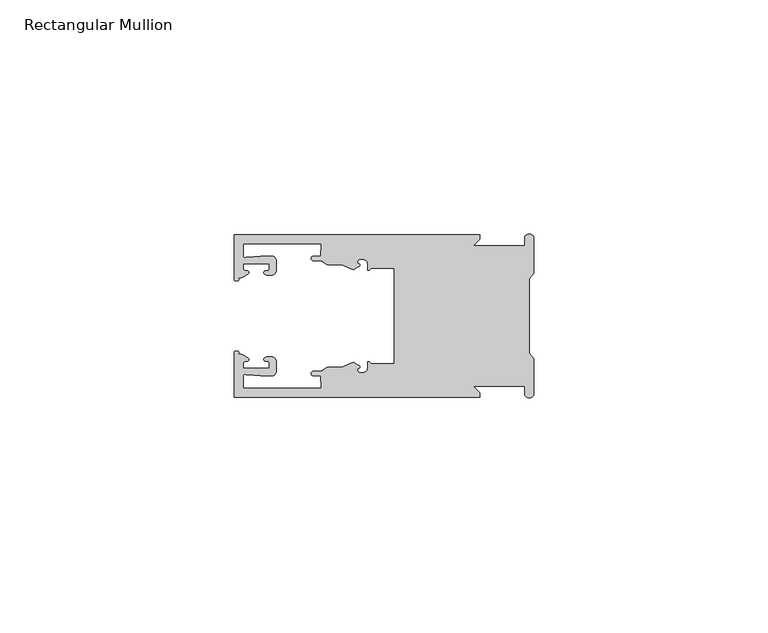
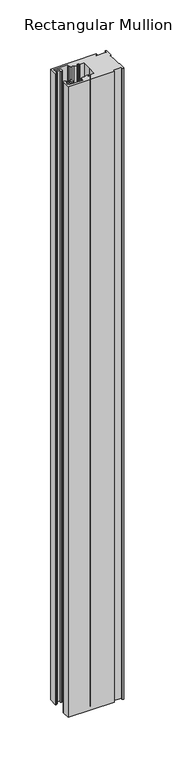
"""IFC4 building model written with IfcOpenShell, lengths in millimetres: member geometry, Rectangular Mullion."""

import ifcopenshell
import ifcopenshell.guid

model = None  # the IFC model being written
_history = None  # IfcOwnerHistory: only IFC2X3 demands one
_inside = {}  # id of a spatial element -> (the spatial element, [elements in it])
_under = {}  # id of a project, library or spatial element -> (it, [spatial elements below it])
_declared = {}  # id of a project -> (the project, [libraries it declares])
_typed = {}  # id of a type object -> (the type object, [elements of that type])
_made_of = {}  # id of a material, layer set ... -> (it, [elements and type objects made of it])


def new_model(schema):
    """Start an empty IFC model of exactly this schema.

    Asked for "IFC4X3", IfcOpenShell would pick the latest addendum, in which some entities
    have other attributes; the version numbers below select the first issue.
    IFC2X3 requires an IfcOwnerHistory on every rooted entity: one is made here for all.
    """
    global model, _history
    if schema == "IFC4X3":
        model = ifcopenshell.file(schema_version=(4, 3, 0, 0))
    else:
        model = ifcopenshell.file(schema=schema)
    _inside.clear()
    _under.clear()
    _declared.clear()
    _typed.clear()
    _made_of.clear()
    _history = None
    if model.schema == "IFC2X3":
        org = make("IfcOrganization", Name="unknown")
        user = make(
            "IfcPersonAndOrganization",
            ThePerson=make("IfcPerson", FamilyName="unknown"),
            TheOrganization=org,
        )
        app = make(
            "IfcApplication",
            ApplicationDeveloper=org,
            Version="unknown",
            ApplicationFullName="unknown",
            ApplicationIdentifier="unknown",
        )
        _history = make(
            "IfcOwnerHistory",
            OwningUser=user,
            OwningApplication=app,
            ChangeAction="ADDED",
            CreationDate=0,
        )
    return model


def make(cls, **values):
    """One entity of the class cls with the attributes given. An attribute that is None is left unset."""
    return model.create_entity(
        cls, **{name: value for name, value in values.items() if value is not None}
    )


def rooted(cls, **values):
    """An entity with a GlobalId (a new one), such as an element, a storey or a relation."""
    return make(cls, GlobalId=ifcopenshell.guid.new(), OwnerHistory=_history, **values)


def si_unit(unit_type, name, prefix=None):
    """IfcSIUnit, for example si_unit("LENGTHUNIT", "METRE", prefix="MILLI")."""
    return make("IfcSIUnit", UnitType=unit_type, Prefix=prefix, Name=name)


def assignment(units):
    """IfcUnitAssignment: the units of a project."""
    return None if units is None else make("IfcUnitAssignment", Units=units)


def point(xyz):
    """IfcCartesianPoint."""
    return None if xyz is None else make("IfcCartesianPoint", Coordinates=xyz)


def direction(xyz):
    """IfcDirection."""
    return None if xyz is None else make("IfcDirection", DirectionRatios=xyz)


def frame(location, z_axis=None, x_axis=None):
    """IfcAxis2Placement3D, a coordinate frame: its origin and axes. An axis left out is left unset."""
    return make(
        "IfcAxis2Placement3D",
        Location=point(location),
        Axis=direction(z_axis),
        RefDirection=direction(x_axis),
    )


def origin():
    """The frame at (0, 0, 0) with its axes left unset."""
    return frame((0.0, 0.0, 0.0))


def place(relative_to, where):
    """IfcLocalPlacement: puts the frame where relative to a parent placement (None: the world)."""
    return make(
        "IfcLocalPlacement", PlacementRelTo=relative_to, RelativePlacement=where
    )


def context(
    kind, dimensions, precision=None, world=None, true_north=None, identifier=None
):
    """IfcGeometricRepresentationContext, for example the 3D "Model" context."""
    return make(
        "IfcGeometricRepresentationContext",
        ContextIdentifier=identifier,
        ContextType=kind,
        CoordinateSpaceDimension=dimensions,
        Precision=precision,
        WorldCoordinateSystem=world,
        TrueNorth=true_north,
    )


def project(units=None, contexts=None):
    """IfcProject with its units and contexts."""
    return rooted(
        "IfcProject",
        Name="project",
        RepresentationContexts=contexts,
        UnitsInContext=assignment(units),
    )


def spatial(cls, under=None, at=None, **own):
    """A site, building, storey or space (cls), placed at a placement, below another one or the project."""
    s = rooted(cls, ObjectPlacement=at, **own)
    if under is not None:
        _under.setdefault(under.id(), (under, []))[1].append(s)
    return s


def polyline(points):
    """IfcPolyline through the points."""
    return make("IfcPolyline", Points=[point(p) for p in points])


def circle_curve(where, radius):
    """IfcCircle in the frame where."""
    return make("IfcCircle", Position=where, Radius=radius)


def shape(context_of_items, identifier, shape_type, items):
    """IfcShapeRepresentation: the items that make up one representation, for example the "Body"."""
    return make(
        "IfcShapeRepresentation",
        ContextOfItems=context_of_items,
        RepresentationIdentifier=identifier,
        RepresentationType=shape_type,
        Items=items,
    )


def source(mapping_origin, context_of_items, identifier, shape_type, items):
    """IfcRepresentationMap: a shape defined once, which mapped items show again and again."""
    return make(
        "IfcRepresentationMap",
        MappingOrigin=mapping_origin,
        MappedRepresentation=shape(context_of_items, identifier, shape_type, items),
    )


def transform(
    local_origin,
    x_axis=None,
    y_axis=None,
    z_axis=None,
    scale=None,
    scale2=None,
    scale3=None,
    uniform=True,
):
    """IfcCartesianTransformationOperator3D, or its non-uniform kind. x_axis, y_axis, z_axis: its Axis1, 2, 3."""
    if uniform:
        return make(
            "IfcCartesianTransformationOperator3D",
            Axis1=direction(x_axis),
            Axis2=direction(y_axis),
            LocalOrigin=point(local_origin),
            Scale=scale,
            Axis3=direction(z_axis),
        )
    return make(
        "IfcCartesianTransformationOperator3DnonUniform",
        Axis1=direction(x_axis),
        Axis2=direction(y_axis),
        LocalOrigin=point(local_origin),
        Scale=scale,
        Axis3=direction(z_axis),
        Scale2=scale2,
        Scale3=scale3,
    )


def mapped(mapping_source, mapping_target):
    """IfcMappedItem: shows the shape of a source again, moved by a transform."""
    return make(
        "IfcMappedItem", MappingSource=mapping_source, MappingTarget=mapping_target
    )


def made_of(thing, what):
    """Note that an element or type object is made of a material, layer set ...; save() writes the relation."""
    if what is not None:
        _made_of.setdefault(what.id(), (what, []))[1].append(thing)
    return thing


def element(
    cls,
    number,
    at=None,
    inside=None,
    cuts=None,
    type_object=None,
    material=None,
    context=None,
    identifier="Body",
    shape_type=None,
    held_by="IfcProductDefinitionShape",
    body=None,
    shapes=None,
    **own,
):
    """One element of the class cls, such as IfcWall. Its Tag is "e" and its number.

    at: its placement. inside: the storey or other place that contains it. cuts: it is an
    opening in that element (IfcRelVoidsElement). A single representation is given by context,
    identifier, shape_type and body (its items); several are given by shapes. held_by: the class
    of the entity that holds the representations. save() writes the other relations.
    """
    e = rooted(cls, Tag="e%d" % number, ObjectPlacement=at, **own)
    if body is not None:
        shapes = [shape(context, identifier, shape_type, body)]
    if shapes is not None:
        e.Representation = make(held_by, Representations=shapes)
    if inside is not None:
        _inside.setdefault(inside.id(), (inside, []))[1].append(e)
    if cuts is not None:
        rooted(
            "IfcRelVoidsElement", RelatingBuildingElement=cuts, RelatedOpeningElement=e
        )
    if type_object is not None:
        _typed.setdefault(type_object.id(), (type_object, []))[1].append(e)
    return made_of(e, material)


def aggregate(whole, parts):
    """IfcRelAggregates: a whole, such as a stair, and the parts it consists of."""
    return rooted("IfcRelAggregates", RelatingObject=whole, RelatedObjects=parts)


def save(model, path):
    """Write the relations noted so far, then the file.

    IfcRelAggregates (storeys below a building ...), IfcRelContainedInSpatialStructure (elements
    in a storey), IfcRelDefinesByType, IfcRelAssociatesMaterial and IfcRelDeclares: one each for
    every whole, place, type object, material and project.
    """
    for whole, parts in _under.values():
        aggregate(whole, parts)
    for where, things in _inside.values():
        rooted(
            "IfcRelContainedInSpatialStructure",
            RelatedElements=things,
            RelatingStructure=where,
        )
    for kind, things in _typed.values():
        rooted("IfcRelDefinesByType", RelatedObjects=things, RelatingType=kind)
    for what, things in _made_of.values():
        rooted("IfcRelAssociatesMaterial", RelatedObjects=things, RelatingMaterial=what)
    for by, libraries in _declared.values():
        rooted("IfcRelDeclares", RelatingContext=by, RelatedDefinitions=libraries)
    model.write(path)


def plane_surface(at):
    """IfcPlane: the flat surface through the origin of the frame at, square to its z axis."""
    return make("IfcPlane", Position=at)


def cylinder_surface(at, radius):
    """IfcCylindricalSurface: all points at the distance radius from the z axis of the frame at."""
    return make("IfcCylindricalSurface", Position=at, Radius=radius)


def revolved_surface(curve, axis_point, axis_direction):
    """IfcSurfaceOfRevolution: the curve turned about the line through axis_point along axis_direction."""
    return make(
        "IfcSurfaceOfRevolution",
        SweptCurve=make("IfcArbitraryOpenProfileDef", ProfileType="CURVE", Curve=curve),
        AxisPosition=make("IfcAxis1Placement", Location=point(axis_point), Axis=direction(axis_direction)),
    )


def extruded_surface(curve, direction_of_extrusion, depth):
    """IfcSurfaceOfLinearExtrusion: the curve pushed along a direction by depth."""
    return make(
        "IfcSurfaceOfLinearExtrusion",
        SweptCurve=make("IfcArbitraryOpenProfileDef", ProfileType="CURVE", Curve=curve),
        ExtrudedDirection=direction(direction_of_extrusion),
        Depth=depth,
    )


def spline_curve(degree, points, multiplicities, knots, weights=None):
    """IfcBSplineCurveWithKnots; with weights, IfcRationalBSplineCurveWithKnots."""
    own = dict(
        Degree=degree,
        ControlPointsList=[point(p) for p in points],
        CurveForm="UNSPECIFIED",
        ClosedCurve=False,
        SelfIntersect=False,
        KnotMultiplicities=multiplicities,
        Knots=knots,
        KnotSpec="UNSPECIFIED",
    )
    if weights is None:
        return make("IfcBSplineCurveWithKnots", **own)
    return make("IfcRationalBSplineCurveWithKnots", WeightsData=weights, **own)


def advanced_brep(points, edges, surfaces, faces):
    """IfcAdvancedBrep: a solid bounded by faces that lie on surfaces and meet in shared edges.

    An edge is (start, end): straight between two places in points (the first is 0);
    or (start, end, curve); or (start, end, curve, False) where it runs against its curve.
    A face is (place in surfaces, loops), or (place, loops, False) where it looks against
    its surface's normal. A loop lists edges by number (the first is 1), with a minus sign
    where the edge is run from its end to its start. The first loop is the outer one.
    """
    corners = [point(p) for p in points]
    vertices = [make("IfcVertexPoint", VertexGeometry=c) for c in corners]
    made = []
    for start, end, *more in edges:
        made.append(
            make(
                "IfcEdgeCurve",
                EdgeStart=vertices[start],
                EdgeEnd=vertices[end],
                EdgeGeometry=more[0] if more else make("IfcPolyline", Points=[corners[start], corners[end]]),
                SameSense=more[1] if len(more) > 1 else True,
            )
        )
    hull = []
    for where, loops, *sense in faces:
        bounds = []
        for j, loop in enumerate(loops):
            ring = [make("IfcOrientedEdge", EdgeElement=made[abs(k) - 1], Orientation=k > 0) for k in loop]
            bounds.append(
                make(
                    "IfcFaceOuterBound" if j == 0 else "IfcFaceBound",
                    Bound=make("IfcEdgeLoop", EdgeList=ring),
                    Orientation=True,
                )
            )
        hull.append(make("IfcAdvancedFace", Bounds=bounds, FaceSurface=surfaces[where], SameSense=sense[0] if sense else True))
    return make("IfcAdvancedBrep", Outer=make("IfcClosedShell", CfsFaces=hull))


def rectangular_mullion_2bf1b595(model_context):
    return source(origin(), model_context, "Body", "AdvancedBrep", [
        advanced_brep(
        [(-11.5387897, 17.4000478, 0.0), (-64.0387868, 17.4000478, 0.0), (-64.0387868, 7.8350057, 0.0), (-63.2884687, 7.5412947, 0.0), (-62.4614154, 8.1921895, 0.0), (-62.0410649, 9.9426451, 0.0), (-62.0424168, 11.1926444, 0.0), (-56.54242, 11.1985924, 0.0), (-56.5410682, 9.9485931, 0.0), (-57.1085345, 8.7314723, 0.0), (-56.0397166, 8.6991345, 0.0), (-55.0407987, 9.7002154, 0.0), (-55.0430697, 11.8002142, 0.0), (-56.0446364, 12.7991315, 0.0), (-58.3650753, 12.7954945, 0.0), (-61.1340054, 12.5502269, 0.0), (-62.044093, 12.7426435, 0.0), (-62.0469668, 15.4000478, 0.0), (-45.4240312, 15.4000478, 0.0), (-45.5732135, 12.8000478, 0.0), (-47.0387868, 12.8000478, 0.0), (-47.0387868, 11.8000478, 0.0), (-45.2543363, 11.8000478, 0.0), (-43.6387868, 10.9000478, 0.0), (-41.0454034, 10.9000478, 0.0), (-38.5697136, 9.8718293, 0.0), (-37.5387868, 10.4670351, 0.0), (-37.6803436, 11.4201497, 0.0), (-37.0270763, 12.1583697, 0.0), (-36.2010815, 12.0127245, 0.0), (-35.54, 11.2248783, 0.0), (-35.54, 10.0, 0.0), (-34.7705791, 10.25, 0.0), (-29.79, 10.25, 0.0), (-29.79, 0.0, 0.0), (-29.79, -10.25, 0.0), (-34.7705791, -10.25, 0.0), (-35.54, -10.0, 0.0), (-35.54, -11.2248783, 0.0), (-36.2010815, -12.0127245, 0.0), (-37.0270763, -12.1583697, 0.0), (-37.6803436, -11.4201497, 0.0), (-37.5387868, -10.4670351, 0.0), (-38.5697136, -9.8718293, 0.0), (-41.0454034, -10.9000478, 0.0), (-43.6387868, -10.9000478, 0.0), (-45.2543363, -11.8000478, 0.0), (-47.0387868, -11.8000478, 0.0), (-47.0387868, -12.8000478, 0.0), (-45.5732135, -12.8000478, 0.0), (-45.4240312, -15.4000478, 0.0), (-62.0469668, -15.4000478, 0.0), (-62.044093, -12.7426435, 0.0), (-61.1340054, -12.5502269, 0.0), (-58.3650753, -12.7954945, 0.0), (-56.0446364, -12.7991314, 0.0), (-55.0430697, -11.8002142, 0.0), (-55.0407987, -9.7002154, 0.0), (-56.0397166, -8.6991345, 0.0), (-57.1085345, -8.7314723, 0.0), (-56.5410682, -9.9485931, 0.0), (-56.54242, -11.1985924, 0.0), (-62.0424168, -11.1926444, 0.0), (-62.0410649, -9.9426451, 0.0), (-62.4614154, -8.1921895, 0.0), (-63.2884687, -7.5412947, 0.0), (-64.0387868, -7.8350057, 0.0), (-64.0387868, -17.4000478, 0.0), (-11.5387897, -17.4000478, 0.0), (-11.5387897, -16.4000449, 0.0), (-12.9388346, -15.0, 0.0), (-2.0, -15.0, 0.0), (-2.0, -16.5, 0.0), (0.0, -16.5, 0.0), (0.0, -9.1160254, 0.0), (-1.0, -7.9613249, 0.0), (-1.0, 0.0, 0.0), (-1.0, 7.9613249, 0.0), (0.0, 9.1160254, 0.0), (0.0, 16.5, 0.0), (-2.0, 16.5, 0.0), (-2.0, 15.0, 0.0), (-12.9388346, 15.0, 0.0), (-11.5387897, 16.4000449, 0.0), (-11.5387897, 17.4000478, -762.3333333), (-11.5387897, 16.4000449, -762.3333333), (-12.9388346, 15.0, -762.3333333), (-2.0, 15.0, -762.3333333), (-2.0, 16.5, -762.3333333), (0.0, 16.5, -762.3333333), (0.0, 9.1160254, -762.3333333), (-1.0, 7.9613249, -762.3333333), (-1.0, 0.0, -762.3333333), (-1.0, -7.9613249, -762.3333333), (0.0, -9.1160254, -762.3333333), (0.0, -16.5, -762.3333333), (-2.0, -16.5, -762.3333333), (-2.0, -15.0, -762.3333333), (-12.9388346, -15.0, -762.3333333), (-11.5387897, -16.4000449, -762.3333333), (-11.5387897, -17.4000478, -762.3333333), (-64.0387868, -17.4000478, -762.3333333), (-64.0387868, -7.8350057, -762.3333333), (-63.2884687, -7.5412947, -762.3333333), (-62.4614154, -8.1921895, -762.3333333), (-62.0410649, -9.9426451, -762.3333333), (-62.0424168, -11.1926444, -762.3333333), (-56.54242, -11.1985924, -762.3333333), (-56.5410682, -9.9485931, -762.3333333), (-57.1085345, -8.7314723, -762.3333333), (-56.0397166, -8.6991345, -762.3333333), (-55.0407987, -9.7002154, -762.3333333), (-55.0430697, -11.8002142, -762.3333333), (-56.0446364, -12.7991315, -762.3333333), (-58.3650753, -12.7954945, -762.3333333), (-61.1340054, -12.5502269, -762.3333333), (-62.044093, -12.7426435, -762.3333333), (-62.0469668, -15.4000478, -762.3333333), (-45.4240312, -15.4000478, -762.3333333), (-45.5732135, -12.8000478, -762.3333333), (-47.0387868, -12.8000478, -762.3333333), (-47.0387868, -11.8000478, -762.3333333), (-45.2543363, -11.8000478, -762.3333333), (-43.6387868, -10.9000478, -762.3333333), (-41.0454034, -10.9000478, -762.3333333), (-38.5697136, -9.8718293, -762.3333333), (-37.5387868, -10.4670351, -762.3333333), (-37.6803436, -11.4201497, -762.3333333), (-37.0270763, -12.1583697, -762.3333333), (-36.2010815, -12.0127245, -762.3333333), (-35.54, -11.2248783, -762.3333333), (-35.54, -10.0, -762.3333333), (-34.7705791, -10.25, -762.3333333), (-29.79, -10.25, -762.3333333), (-29.79, 0.0, -762.3333333), (-29.79, 10.25, -762.3333333), (-34.7705791, 10.25, -762.3333333), (-35.54, 10.0, -762.3333333), (-35.54, 11.2248783, -762.3333333), (-36.2010815, 12.0127245, -762.3333333), (-37.0270763, 12.1583697, -762.3333333), (-37.6803436, 11.4201497, -762.3333333), (-37.5387868, 10.4670351, -762.3333333), (-38.5697136, 9.8718293, -762.3333333), (-41.0454034, 10.9000478, -762.3333333), (-43.6387868, 10.9000478, -762.3333333), (-45.2543363, 11.8000478, -762.3333333), (-47.0387868, 11.8000478, -762.3333333), (-47.0387868, 12.8000478, -762.3333333), (-45.5732135, 12.8000478, -762.3333333), (-45.4240312, 15.4000478, -762.3333333), (-62.0469668, 15.4000478, -762.3333333), (-62.044093, 12.7426435, -762.3333333), (-61.1340054, 12.5502269, -762.3333333), (-58.3650753, 12.7954945, -762.3333333), (-56.0446364, 12.7991314, -762.3333333), (-55.0430697, 11.8002142, -762.3333333), (-55.0407987, 9.7002154, -762.3333333), (-56.0397166, 8.6991345, -762.3333333), (-57.1085345, 8.7314723, -762.3333333), (-56.5410682, 9.9485931, -762.3333333), (-56.54242, 11.1985924, -762.3333333), (-62.0424168, 11.1926444, -762.3333333), (-62.0410649, 9.9426451, -762.3333333), (-62.4614154, 8.1921895, -762.3333333), (-63.2884687, 7.5412947, -762.3333333), (-64.0387868, 7.8350057, -762.3333333), (-64.0387868, 17.4000478, -762.3333333)],
        [
            (0, 1),
            (1, 2),
            (2, 3, spline_curve(3, [(-64.0387868, 7.8350057, 0.0), (-64.038491377, 7.561831774, 0.0), (-63.788385325, 7.463928087, 0.0), (-63.2884687, 7.5412947, 0.0)], [4, 4], [0.0, 0.0019169337574178654])),
            (3, 4, spline_curve(3, [(-63.2884687, 7.5412947, 0.0), (-63.057760917, 7.582232011, 0.0), (-63.018445067, 7.725390894, 0.0), (-63.019925494, 8.056436881, 0.0), (-63.103444208, 8.236386866, 0.0), (-62.4614154, 8.1921895, 0.0)], [4, 2, 4], [0.0, 0.0010199524164107188, 0.0024874514725970356])),
            (4, 5, spline_curve(3, [(-62.4614154, 8.1921895, 0.0), (-60.988497673, 8.880962536, 0.0), (-60.794045122, 9.192776957, 0.0), (-60.949808078, 9.57023562, 0.0), (-61.145214014, 9.682771697, 0.0), (-61.665835706, 9.714019003, 0.0), (-61.965242574, 9.660891484, 0.0), (-62.0410649, 9.9426451, 0.0)], [4, 2, 2, 4], [0.0, 0.003269869179570428, 0.005490050486237203, 0.0073545767114364426])),
            (5, 6),
            (6, 7),
            (7, 8),
            (8, 9, spline_curve(3, [(-56.5410682, 9.9485931, 0.0), (-56.634838635, 9.597117104, 0.0), (-56.904956774, 9.698238818, 0.0), (-57.324171444, 9.731086209, 0.0), (-57.45969165, 9.646199885, 0.0), (-57.729003352, 9.346016011, 0.0), (-57.859492582, 9.113082158, 0.0), (-57.1085345, 8.7314723, 0.0)], [4, 2, 2, 4], [0.0, 0.001593963049934732, 0.0033360256320283306, 0.005339140673503943])),
            (9, 10),
            (10, 11, circle_curve(frame((-56.0407981, 9.699134, 0.0), z_axis=(0.0, 0.0, 1.0), x_axis=(0.0010814451158627505, -0.9999994152380598, 0.0)), 1.0)),
            (11, 12),
            (12, 13, circle_curve(frame((-56.0430691, 11.7991327, 0.0), z_axis=(0.0, 0.0, 1.0), x_axis=(0.0010814451158627505, -0.9999994152380598, 0.0)), 1.0)),
            (13, 14),
            (14, 15),
            (15, 16, spline_curve(3, [(-61.1340054, 12.5502269, 0.0), (-61.605485428, 12.508463911, 0.0), (-61.992111419, 12.303164326, 0.0), (-62.044093, 12.7426435, 0.0)], [4, 4], [0.0, 0.0014803385355886016])),
            (16, 17),
            (17, 18),
            (18, 19),
            (19, 20),
            (20, 21, circle_curve(frame((-47.0387868, 12.3000478, 0.0), z_axis=(0.0, 0.0, 1.0), x_axis=(0.0, -1.0, 0.0)), 0.5)),
            (21, 22),
            (22, 23, circle_curve(frame((-43.6387868, 12.8000478, 0.0), z_axis=(0.0, 0.0, 1.0), x_axis=(0.0, -1.0, 0.0)), 1.9)),
            (23, 24),
            (24, 25),
            (25, 26),
            (26, 27, spline_curve(3, [(-37.5387868, 10.4670351, 0.0), (-36.973919853, 10.833863985, 0.0), (-37.198159645, 11.135696286, 0.0), (-37.587892011, 11.260246073, 0.0), (-37.754584192, 11.180452419, 0.0), (-37.6803436, 11.4201497, 0.0)], [4, 2, 4], [0.0, 0.0019283703160353726, 0.003394584635652914])),
            (27, 28, circle_curve(frame((-37.0434863, 11.5147359, 0.0), z_axis=(0.0, 0.0, -1.0), x_axis=(0.0, -1.0, 0.0)), 0.643843)),
            (28, 29),
            (29, 30, circle_curve(frame((-36.34, 11.2248783, 0.0), z_axis=(0.0, 0.0, -1.0), x_axis=(0.0, -1.0, 0.0)), 0.8)),
            (30, 31),
            (31, 32, spline_curve(3, [(-35.54, 10.0, 0.0), (-35.440000238, 9.598293201, 0.0), (-35.183526594, 9.681626535, 0.0), (-34.7705791, 10.25, 0.0)], [4, 4], [0.0, 0.0027473296990141553])),
            (32, 33),
            (33, 34),
            (34, 35),
            (35, 36),
            (36, 37, spline_curve(3, [(-34.7705791, -10.25, 0.0), (-35.183526594, -9.681626535, 0.0), (-35.440000238, -9.598293201, 0.0), (-35.54, -10.0, 0.0)], [4, 4], [0.0, 0.0027473296990141553])),
            (37, 38),
            (38, 39, circle_curve(frame((-36.34, -11.2248783, 0.0), z_axis=(0.0, 0.0, -1.0), x_axis=(0.0, 1.0, 0.0)), 0.8)),
            (39, 40),
            (40, 41, circle_curve(frame((-37.0434863, -11.5147359, 0.0), z_axis=(0.0, 0.0, -1.0), x_axis=(0.0, 1.0, 0.0)), 0.643843)),
            (41, 42, spline_curve(3, [(-37.6803436, -11.4201497, 0.0), (-37.754584192, -11.180452419, 0.0), (-37.587892011, -11.260246073, 0.0), (-37.198159645, -11.135696286, 0.0), (-36.973919853, -10.833863985, 0.0), (-37.5387868, -10.4670351, 0.0)], [4, 2, 4], [0.0, 0.0014662143196175414, 0.003394584635652914])),
            (42, 43),
            (43, 44),
            (44, 45),
            (45, 46, circle_curve(frame((-43.6387868, -12.8000478, 0.0), z_axis=(0.0, 0.0, 1.0), x_axis=(0.0, 1.0, 0.0)), 1.9)),
            (46, 47),
            (47, 48, circle_curve(frame((-47.0387868, -12.3000478, 0.0), z_axis=(0.0, 0.0, 1.0), x_axis=(0.0, 1.0, 0.0)), 0.5)),
            (48, 49),
            (49, 50),
            (50, 51),
            (51, 52),
            (52, 53, spline_curve(3, [(-62.044093, -12.7426435, 0.0), (-61.992111419, -12.303164326, 0.0), (-61.605485428, -12.508463911, 0.0), (-61.1340054, -12.5502269, 0.0)], [4, 4], [0.0, 0.0014803385355886016])),
            (53, 54),
            (54, 55),
            (55, 56, circle_curve(frame((-56.0430691, -11.7991327, 0.0), z_axis=(0.0, 0.0, 1.0), x_axis=(0.001081445115855867, 0.9999994152380598, 0.0)), 1.0)),
            (56, 57),
            (57, 58, circle_curve(frame((-56.0407981, -9.699134, 0.0), z_axis=(0.0, 0.0, 1.0), x_axis=(0.001081445115855867, 0.9999994152380598, 0.0)), 1.0)),
            (58, 59),
            (59, 60, spline_curve(3, [(-57.1085345, -8.7314723, 0.0), (-57.859492582, -9.113082158, 0.0), (-57.729003352, -9.346016011, 0.0), (-57.45969165, -9.646199885, 0.0), (-57.324171444, -9.731086209, 0.0), (-56.904956774, -9.698238818, 0.0), (-56.634838635, -9.597117104, 0.0), (-56.5410682, -9.9485931, 0.0)], [4, 2, 2, 4], [0.0, 0.002003115041475612, 0.0037451776235692107, 0.005339140673503943])),
            (60, 61),
            (61, 62),
            (62, 63),
            (63, 64, spline_curve(3, [(-62.0410649, -9.9426451, 0.0), (-61.965242574, -9.660891484, 0.0), (-61.665835706, -9.714019003, 0.0), (-61.145214014, -9.682771697, 0.0), (-60.949808078, -9.57023562, 0.0), (-60.794045122, -9.192776957, 0.0), (-60.988497673, -8.880962536, 0.0), (-62.4614154, -8.1921895, 0.0)], [4, 2, 2, 4], [0.0, 0.0018645262251992395, 0.004084707531866015, 0.0073545767114364426])),
            (64, 65, spline_curve(3, [(-62.4614154, -8.1921895, 0.0), (-63.103444208, -8.236386866, 0.0), (-63.019925494, -8.056436881, 0.0), (-63.018445067, -7.725390894, 0.0), (-63.057760917, -7.582232011, 0.0), (-63.2884687, -7.5412947, 0.0)], [4, 2, 4], [0.0, 0.0014674990561863168, 0.0024874514725970356])),
            (65, 66, spline_curve(3, [(-63.2884687, -7.5412947, 0.0), (-63.788385325, -7.463928087, 0.0), (-64.038491377, -7.561831774, 0.0), (-64.0387868, -7.8350057, 0.0)], [4, 4], [0.0, 0.0019169337574178654])),
            (66, 67),
            (67, 68),
            (68, 69),
            (69, 70),
            (70, 71),
            (71, 72),
            (72, 73, circle_curve(frame((-1.0, -16.5, 0.0), z_axis=(0.0, 0.0, 1.0), x_axis=(0.0, 1.0, 0.0)), 1.0)),
            (73, 74),
            (74, 75),
            (75, 76),
            (76, 77),
            (77, 78),
            (78, 79),
            (79, 80, circle_curve(frame((-1.0, 16.5, 0.0), z_axis=(0.0, 0.0, 1.0), x_axis=(0.0, -1.0, 0.0)), 1.0)),
            (80, 81),
            (81, 82),
            (82, 83),
            (83, 0),
            (84, 85),
            (85, 86),
            (86, 87),
            (87, 88),
            (88, 89, circle_curve(frame((-1.0, 16.5, -762.3333333), z_axis=(0.0, 0.0, -1.0), x_axis=(0.0, -1.0, 0.0)), 1.0)),
            (89, 90),
            (90, 91),
            (91, 92),
            (92, 93),
            (93, 94),
            (94, 95),
            (95, 96, circle_curve(frame((-1.0, -16.5, -762.3333333), z_axis=(0.0, 0.0, -1.0), x_axis=(0.0, 1.0, 0.0)), 1.0)),
            (96, 97),
            (97, 98),
            (98, 99),
            (99, 100),
            (100, 101),
            (101, 102),
            (102, 103, spline_curve(3, [(-64.0387868, -7.8350057, -762.3333333), (-64.038491377, -7.561831774, -762.3333333), (-63.788385325, -7.463928087, -762.3333333), (-63.2884687, -7.5412947, -762.3333333)], [4, 4], [0.0, 0.0019169337574178654])),
            (103, 104, spline_curve(3, [(-63.2884687, -7.5412947, -762.3333333), (-63.057760917, -7.582232011, -762.3333333), (-63.018445067, -7.725390894, -762.3333333), (-63.019925494, -8.056436881, -762.3333333), (-63.103444208, -8.236386866, -762.3333333), (-62.4614154, -8.1921895, -762.3333333)], [4, 2, 4], [0.0, 0.0010199524164107188, 0.0024874514725970356])),
            (104, 105, spline_curve(3, [(-62.4614154, -8.1921895, -762.3333333), (-60.988497673, -8.880962536, -762.3333333), (-60.794045122, -9.192776957, -762.3333333), (-60.949808078, -9.57023562, -762.3333333), (-61.145214014, -9.682771697, -762.3333333), (-61.665835706, -9.714019003, -762.3333333), (-61.965242574, -9.660891484, -762.3333333), (-62.0410649, -9.9426451, -762.3333333)], [4, 2, 2, 4], [0.0, 0.003269869179570428, 0.005490050486237203, 0.0073545767114364426])),
            (105, 106),
            (106, 107),
            (107, 108),
            (108, 109, spline_curve(3, [(-56.5410682, -9.9485931, -762.3333333), (-56.634838635, -9.597117104, -762.3333333), (-56.904956774, -9.698238818, -762.3333333), (-57.324171444, -9.731086209, -762.3333333), (-57.45969165, -9.646199885, -762.3333333), (-57.729003352, -9.346016011, -762.3333333), (-57.859492582, -9.113082158, -762.3333333), (-57.1085345, -8.7314723, -762.3333333)], [4, 2, 2, 4], [0.0, 0.001593963049934732, 0.0033360256320283306, 0.005339140673503943])),
            (109, 110),
            (110, 111, circle_curve(frame((-56.0407981, -9.699134, -762.3333333), z_axis=(0.0, 0.0, -1.0), x_axis=(0.001081445115855867, 0.9999994152380598, 0.0)), 1.0)),
            (111, 112),
            (112, 113, circle_curve(frame((-56.0430691, -11.7991327, -762.3333333), z_axis=(0.0, 0.0, -1.0), x_axis=(0.001081445115855867, 0.9999994152380598, 0.0)), 1.0)),
            (113, 114),
            (114, 115),
            (115, 116, spline_curve(3, [(-61.1340054, -12.5502269, -762.3333333), (-61.605485428, -12.508463911, -762.3333333), (-61.992111419, -12.303164326, -762.3333333), (-62.044093, -12.7426435, -762.3333333)], [4, 4], [0.0, 0.0014803385355886016])),
            (116, 117),
            (117, 118),
            (118, 119),
            (119, 120),
            (120, 121, circle_curve(frame((-47.0387868, -12.3000478, -762.3333333), z_axis=(0.0, 0.0, -1.0), x_axis=(0.0, 1.0, 0.0)), 0.5)),
            (121, 122),
            (122, 123, circle_curve(frame((-43.6387868, -12.8000478, -762.3333333), z_axis=(0.0, 0.0, -1.0), x_axis=(0.0, 1.0, 0.0)), 1.9)),
            (123, 124),
            (124, 125),
            (125, 126),
            (126, 127, spline_curve(3, [(-37.5387868, -10.4670351, -762.3333333), (-36.973919853, -10.833863985, -762.3333333), (-37.198159645, -11.135696286, -762.3333333), (-37.587892011, -11.260246073, -762.3333333), (-37.754584192, -11.180452419, -762.3333333), (-37.6803436, -11.4201497, -762.3333333)], [4, 2, 4], [0.0, 0.0019283703160353726, 0.003394584635652914])),
            (127, 128, circle_curve(frame((-37.0434863, -11.5147359, -762.3333333), z_axis=(0.0, 0.0, 1.0), x_axis=(0.0, 1.0, 0.0)), 0.643843)),
            (128, 129),
            (129, 130, circle_curve(frame((-36.34, -11.2248783, -762.3333333), z_axis=(0.0, 0.0, 1.0), x_axis=(0.0, 1.0, 0.0)), 0.8)),
            (130, 131),
            (131, 132, spline_curve(3, [(-35.54, -10.0, -762.3333333), (-35.440000238, -9.598293201, -762.3333333), (-35.183526594, -9.681626535, -762.3333333), (-34.7705791, -10.25, -762.3333333)], [4, 4], [0.0, 0.0027473296990141553])),
            (132, 133),
            (133, 134),
            (134, 135),
            (135, 136),
            (136, 137, spline_curve(3, [(-34.7705791, 10.25, -762.3333333), (-35.183526594, 9.681626535, -762.3333333), (-35.440000238, 9.598293201, -762.3333333), (-35.54, 10.0, -762.3333333)], [4, 4], [0.0, 0.0027473296990141553])),
            (137, 138),
            (138, 139, circle_curve(frame((-36.34, 11.2248783, -762.3333333), z_axis=(0.0, 0.0, 1.0), x_axis=(0.0, -1.0, 0.0)), 0.8)),
            (139, 140),
            (140, 141, circle_curve(frame((-37.0434863, 11.5147359, -762.3333333), z_axis=(0.0, 0.0, 1.0), x_axis=(0.0, -1.0, 0.0)), 0.643843)),
            (141, 142, spline_curve(3, [(-37.6803436, 11.4201497, -762.3333333), (-37.754584192, 11.180452419, -762.3333333), (-37.587892011, 11.260246073, -762.3333333), (-37.198159645, 11.135696286, -762.3333333), (-36.973919853, 10.833863985, -762.3333333), (-37.5387868, 10.4670351, -762.3333333)], [4, 2, 4], [0.0, 0.0014662143196175414, 0.003394584635652914])),
            (142, 143),
            (143, 144),
            (144, 145),
            (145, 146, circle_curve(frame((-43.6387868, 12.8000478, -762.3333333), z_axis=(0.0, 0.0, -1.0), x_axis=(0.0, -1.0, 0.0)), 1.9)),
            (146, 147),
            (147, 148, circle_curve(frame((-47.0387868, 12.3000478, -762.3333333), z_axis=(0.0, 0.0, -1.0), x_axis=(0.0, -1.0, 0.0)), 0.5)),
            (148, 149),
            (149, 150),
            (150, 151),
            (151, 152),
            (152, 153, spline_curve(3, [(-62.044093, 12.7426435, -762.3333333), (-61.992111419, 12.303164326, -762.3333333), (-61.605485428, 12.508463911, -762.3333333), (-61.1340054, 12.5502269, -762.3333333)], [4, 4], [0.0, 0.0014803385355886016])),
            (153, 154),
            (154, 155),
            (155, 156, circle_curve(frame((-56.0430691, 11.7991327, -762.3333333), z_axis=(0.0, 0.0, -1.0), x_axis=(0.0010814451158627505, -0.9999994152380598, 0.0)), 1.0)),
            (156, 157),
            (157, 158, circle_curve(frame((-56.0407981, 9.699134, -762.3333333), z_axis=(0.0, 0.0, -1.0), x_axis=(0.0010814451158627505, -0.9999994152380598, 0.0)), 1.0)),
            (158, 159),
            (159, 160, spline_curve(3, [(-57.1085345, 8.7314723, -762.3333333), (-57.859492582, 9.113082158, -762.3333333), (-57.729003352, 9.346016011, -762.3333333), (-57.45969165, 9.646199885, -762.3333333), (-57.324171444, 9.731086209, -762.3333333), (-56.904956774, 9.698238818, -762.3333333), (-56.634838635, 9.597117104, -762.3333333), (-56.5410682, 9.9485931, -762.3333333)], [4, 2, 2, 4], [0.0, 0.002003115041475612, 0.0037451776235692107, 0.005339140673503943])),
            (160, 161),
            (161, 162),
            (162, 163),
            (163, 164, spline_curve(3, [(-62.0410649, 9.9426451, -762.3333333), (-61.965242574, 9.660891484, -762.3333333), (-61.665835706, 9.714019003, -762.3333333), (-61.145214014, 9.682771697, -762.3333333), (-60.949808078, 9.57023562, -762.3333333), (-60.794045122, 9.192776957, -762.3333333), (-60.988497673, 8.880962536, -762.3333333), (-62.4614154, 8.1921895, -762.3333333)], [4, 2, 2, 4], [0.0, 0.0018645262251992395, 0.004084707531866015, 0.0073545767114364426])),
            (164, 165, spline_curve(3, [(-62.4614154, 8.1921895, -762.3333333), (-63.103444208, 8.236386866, -762.3333333), (-63.019925494, 8.056436881, -762.3333333), (-63.018445067, 7.725390894, -762.3333333), (-63.057760917, 7.582232011, -762.3333333), (-63.2884687, 7.5412947, -762.3333333)], [4, 2, 4], [0.0, 0.0014674990561863168, 0.0024874514725970356])),
            (165, 166, spline_curve(3, [(-63.2884687, 7.5412947, -762.3333333), (-63.788385325, 7.463928087, -762.3333333), (-64.038491377, 7.561831774, -762.3333333), (-64.0387868, 7.8350057, -762.3333333)], [4, 4], [0.0, 0.0019169337574178654])),
            (166, 167),
            (167, 84),
            (0, 84),
            (167, 1),
            (166, 2),
            (165, 3),
            (164, 4),
            (163, 5),
            (162, 6),
            (161, 7),
            (160, 8),
            (159, 9),
            (158, 10),
            (157, 11),
            (156, 12),
            (155, 13),
            (154, 14),
            (153, 15),
            (152, 16),
            (151, 17),
            (150, 18),
            (149, 19),
            (148, 20),
            (147, 21),
            (146, 22),
            (145, 23),
            (144, 24),
            (143, 25),
            (142, 26),
            (141, 27),
            (140, 28),
            (139, 29),
            (138, 30),
            (137, 31),
            (136, 32),
            (135, 33),
            (134, 34),
            (133, 35),
            (132, 36),
            (131, 37),
            (130, 38),
            (129, 39),
            (128, 40),
            (127, 41),
            (126, 42),
            (125, 43),
            (124, 44),
            (123, 45),
            (122, 46),
            (121, 47),
            (120, 48),
            (119, 49),
            (118, 50),
            (117, 51),
            (116, 52),
            (115, 53),
            (114, 54),
            (113, 55),
            (112, 56),
            (111, 57),
            (110, 58),
            (109, 59),
            (108, 60),
            (107, 61),
            (106, 62),
            (105, 63),
            (104, 64),
            (103, 65),
            (102, 66),
            (101, 67),
            (100, 68),
            (99, 69),
            (98, 70),
            (97, 71),
            (96, 72),
            (95, 73),
            (94, 74),
            (93, 75),
            (92, 76),
            (91, 77),
            (90, 78),
            (89, 79),
            (88, 80),
            (87, 81),
            (86, 82),
            (85, 83),
        ],
        [
            plane_surface(frame((0.0, -66.3605898, 0.0), z_axis=(0.0, 0.0, 1.0), x_axis=(-1.0, 0.0, 0.0))),
            plane_surface(frame((0.0, -66.3605898, -762.3333333), z_axis=(0.0, 0.0, -1.0), x_axis=(-1.0, 0.0, 0.0))),
            plane_surface(frame((-11.5387897, 17.4000478, 0.0), z_axis=(0.0, 1.0, 0.0), x_axis=(0.0, 0.0, -1.0))),
            plane_surface(frame((-64.0387868, 17.4000478, 0.0), z_axis=(-1.0, 0.0, 0.0), x_axis=(0.0, 0.0, -1.0))),
            extruded_surface(spline_curve(3, [(-64.0387868, 7.8350057, -762.3333333), (-64.038491377, 7.561831774, -762.3333333), (-63.788385325, 7.463928087, -762.3333333), (-63.2884687, 7.5412947, -762.3333333)], [4, 4], [0.0, 0.0019169337574178654]), (0.0, 0.0, 762.3333333), 762.3333333),
            extruded_surface(spline_curve(3, [(-63.2884687, 7.5412947, -762.3333333), (-63.057760917, 7.582232011, -762.3333333), (-63.018445067, 7.725390894, -762.3333333), (-63.019925494, 8.056436881, -762.3333333), (-63.103444208, 8.236386866, -762.3333333), (-62.4614154, 8.1921895, -762.3333333)], [4, 2, 4], [0.0, 0.0010199524164107188, 0.0024874514725970356]), (0.0, 0.0, 762.3333333), 762.3333333),
            extruded_surface(spline_curve(3, [(-62.4614154, 8.1921895, -762.3333333), (-60.988497673, 8.880962536, -762.3333333), (-60.794045122, 9.192776957, -762.3333333), (-60.949808078, 9.57023562, -762.3333333), (-61.145214014, 9.682771697, -762.3333333), (-61.665835706, 9.714019003, -762.3333333), (-61.965242574, 9.660891484, -762.3333333), (-62.0410649, 9.9426451, -762.3333333)], [4, 2, 2, 4], [0.0, 0.003269869179570428, 0.005490050486237203, 0.0073545767114364426]), (0.0, 0.0, 762.3333333), 762.3333333),
            plane_surface(frame((-62.0410649, 9.9426451, 0.0), z_axis=(0.9999994152380598, 0.0010814451158593665, 0.0), x_axis=(0.0, 0.0, -1.0))),
            plane_surface(frame((-62.0424168, 11.1926444, 0.0), z_axis=(0.0010814451158611391, -0.9999994152380598, 0.0), x_axis=(0.0, 0.0, -1.0))),
            plane_surface(frame((-56.54242, 11.1985924, 0.0), z_axis=(-0.9999994152380598, -0.0010814451158584516, 0.0), x_axis=(0.0, 0.0, -1.0))),
            extruded_surface(spline_curve(3, [(-56.5410682, 9.9485931, -762.3333333), (-56.634838635, 9.597117104, -762.3333333), (-56.904956774, 9.698238818, -762.3333333), (-57.324171444, 9.731086209, -762.3333333), (-57.45969165, 9.646199885, -762.3333333), (-57.729003352, 9.346016011, -762.3333333), (-57.859492582, 9.113082158, -762.3333333), (-57.1085345, 8.7314723, -762.3333333)], [4, 2, 2, 4], [0.0, 0.001593963049934732, 0.0033360256320283306, 0.005339140673503943]), (0.0, 0.0, 762.3333333), 762.3333333),
            plane_surface(frame((-57.1085345, 8.7314723, 0.0), z_axis=(-0.030241832452869922, -0.9995426111826813, 0.0), x_axis=(0.0, 0.0, -1.0))),
            cylinder_surface(frame((-56.0407981, 9.699134, 0.0), z_axis=(0.0, 0.0, 1.0000000000000002), x_axis=(0.0010814451158627505, -0.9999994152380598, 0.0)), 1.0),
            plane_surface(frame((-55.0407987, 9.7002154, 0.0), z_axis=(0.9999994152380598, 0.001081445115858722, 0.0), x_axis=(0.0, 0.0, -1.0))),
            cylinder_surface(frame((-56.0430691, 11.7991327, 0.0), z_axis=(0.0, 0.0, 1.0000000000000002), x_axis=(0.0010814451158627505, -0.9999994152380598, 0.0)), 1.0),
            plane_surface(frame((-56.0446364, 12.7991314, 0.0), z_axis=(-0.0015673183327907744, 0.9999987717558677, 0.0), x_axis=(0.0, 0.0, -1.0))),
            plane_surface(frame((-58.3650753, 12.7954945, 0.0), z_axis=(-0.08823302167299531, 0.9960998614026874, 0.0), x_axis=(0.0, 0.0, -1.0))),
            extruded_surface(spline_curve(3, [(-61.1340054, 12.5502269, -762.3333333), (-61.605485428, 12.508463911, -762.3333333), (-61.992111419, 12.303164326, -762.3333333), (-62.044093, 12.7426435, -762.3333333)], [4, 4], [0.0, 0.0014803385355886016]), (0.0, 0.0, 762.3333333), 762.3333333),
            plane_surface(frame((-62.044093, 12.7426435, 0.0), z_axis=(0.9999994152380598, 0.0010814451158597813, 0.0), x_axis=(0.0, 0.0, -1.0))),
            plane_surface(frame((-62.0469668, 15.4000478, 0.0), z_axis=(0.0, -1.0, 0.0), x_axis=(0.0, 0.0, -1.0))),
            plane_surface(frame((-45.4240312, 15.4000478, 0.0), z_axis=(-0.9983579461523547, 0.05728360458675776, 0.0), x_axis=(0.0, 0.0, -1.0))),
            plane_surface(frame((-45.5732135, 12.8000478, 0.0), z_axis=(0.0, 1.0, 0.0), x_axis=(0.0, 0.0, -1.0))),
            cylinder_surface(frame((-47.0387868, 12.3000478, 0.0), z_axis=(0.0, 0.0, 1.0), x_axis=(0.0, -1.0, 0.0)), 0.5),
            plane_surface(frame((-47.0387868, 11.8000478, 0.0), z_axis=(0.0, -1.0, 0.0), x_axis=(0.0, 0.0, -1.0))),
            cylinder_surface(frame((-43.6387868, 12.8000478, 0.0), z_axis=(0.0, 0.0, 1.0), x_axis=(0.0, -1.0, 0.0)), 1.9),
            plane_surface(frame((-43.6387868, 10.9000478, 0.0), z_axis=(0.0, -1.0, 0.0), x_axis=(0.0, 0.0, -1.0))),
            plane_surface(frame((-41.0454034, 10.9000478, 0.0), z_axis=(-0.3835602140750569, -0.9235158700199453, 0.0), x_axis=(0.0, 0.0, -1.0))),
            plane_surface(frame((-38.5697136, 9.8718293, 0.0), z_axis=(0.5000000000252295, -0.8660254037698725, 0.0), x_axis=(0.0, 0.0, -1.0))),
            extruded_surface(spline_curve(3, [(-37.5387868, 10.4670351, -762.3333333), (-36.973919853, 10.833863985, -762.3333333), (-37.198159645, 11.135696286, -762.3333333), (-37.587892011, 11.260246073, -762.3333333), (-37.754584192, 11.180452419, -762.3333333), (-37.6803436, 11.4201497, -762.3333333)], [4, 2, 4], [0.0, 0.0019283703160353726, 0.003394584635652914]), (0.0, 0.0, 762.3333333), 762.3333333),
            revolved_surface(polyline([(-37.0434863, 10.8708929, -762.3333333), (-37.0434863, 10.8708929, 0.0)]), (-37.0434863, 11.5147359, 0.0), (0.0, 0.0, -1.0)),
            plane_surface(frame((-37.0270763, 12.1583697, 0.0), z_axis=(-0.17364817767050408, -0.984807753011578, 0.0), x_axis=(0.0, 0.0, -1.0))),
            revolved_surface(polyline([(-36.34, 10.4248783, -762.3333333), (-36.34, 10.4248783, 0.0)]), (-36.34, 11.2248783, 0.0), (0.0, 0.0, -1.0)),
            plane_surface(frame((-35.54, 11.2248783, 0.0), z_axis=(-1.0, 0.0, 0.0), x_axis=(0.0, 0.0, -1.0))),
            extruded_surface(spline_curve(3, [(-35.54, 10.0, -762.3333333), (-35.440000238, 9.598293201, -762.3333333), (-35.183526594, 9.681626535, -762.3333333), (-34.7705791, 10.25, -762.3333333)], [4, 4], [0.0, 0.0027473296990141553]), (0.0, 0.0, 762.3333333), 762.3333333),
            plane_surface(frame((-34.7705791, 10.25, 0.0), z_axis=(0.0, -1.0, 0.0), x_axis=(0.0, 0.0, -1.0))),
            plane_surface(frame((-29.79, 10.25, 0.0), z_axis=(-1.0, 0.0, 0.0), x_axis=(0.0, 0.0, -1.0))),
            plane_surface(frame((-29.79, 0.0, 0.0), z_axis=(-1.0, 0.0, 0.0), x_axis=(0.0, 0.0, -1.0))),
            plane_surface(frame((-29.79, -10.25, 0.0), z_axis=(0.0, 1.0, 0.0), x_axis=(0.0, 0.0, -1.0))),
            extruded_surface(spline_curve(3, [(-34.7705791, -10.25, -762.3333333), (-35.183526594, -9.681626535, -762.3333333), (-35.440000238, -9.598293201, -762.3333333), (-35.54, -10.0, -762.3333333)], [4, 4], [0.0, 0.0027473296990141553]), (0.0, 0.0, 762.3333333), 762.3333333),
            plane_surface(frame((-35.54, -10.0, 0.0), z_axis=(-1.0, 0.0, 0.0), x_axis=(0.0, 0.0, -1.0))),
            revolved_surface(polyline([(-36.34, -10.4248783, -762.3333333), (-36.34, -10.4248783, 0.0)]), (-36.34, -11.2248783, 0.0), (0.0, 0.0, -1.0)),
            plane_surface(frame((-36.2010815, -12.0127245, 0.0), z_axis=(-0.17364817767051083, 0.9848077530115767, 0.0), x_axis=(0.0, 0.0, -1.0))),
            revolved_surface(polyline([(-37.0434863, -10.8708929, -762.3333333), (-37.0434863, -10.8708929, 0.0)]), (-37.0434863, -11.5147359, 0.0), (0.0, 0.0, -1.0)),
            extruded_surface(spline_curve(3, [(-37.6803436, -11.4201497, -762.3333333), (-37.754584192, -11.180452419, -762.3333333), (-37.587892011, -11.260246073, -762.3333333), (-37.198159645, -11.135696286, -762.3333333), (-36.973919853, -10.833863985, -762.3333333), (-37.5387868, -10.4670351, -762.3333333)], [4, 2, 4], [0.0, 0.0014662143196175414, 0.003394584635652914]), (0.0, 0.0, 762.3333333), 762.3333333),
            plane_surface(frame((-37.5387868, -10.4670351, 0.0), z_axis=(0.5000000000252234, 0.8660254037698759, 0.0), x_axis=(0.0, 0.0, -1.0))),
            plane_surface(frame((-38.5697136, -9.8718293, 0.0), z_axis=(-0.38356021407506324, 0.9235158700199426, 0.0), x_axis=(0.0, 0.0, -1.0))),
            plane_surface(frame((-41.0454034, -10.9000478, 0.0), z_axis=(0.0, 1.0, 0.0), x_axis=(0.0, 0.0, -1.0))),
            cylinder_surface(frame((-43.6387868, -12.8000478, 0.0), z_axis=(0.0, 0.0, 1.0), x_axis=(0.0, 1.0, 0.0)), 1.9),
            plane_surface(frame((-45.2543363, -11.8000478, 0.0), z_axis=(0.0, 1.0, 0.0), x_axis=(0.0, 0.0, -1.0))),
            cylinder_surface(frame((-47.0387868, -12.3000478, 0.0), z_axis=(0.0, 0.0, 1.0), x_axis=(0.0, 1.0, 0.0)), 0.5),
            plane_surface(frame((-47.0387868, -12.8000478, 0.0), z_axis=(0.0, -1.0, 0.0), x_axis=(0.0, 0.0, -1.0))),
            plane_surface(frame((-45.5732135, -12.8000478, 0.0), z_axis=(-0.9983579461523543, -0.05728360458676463, 0.0), x_axis=(0.0, 0.0, -1.0))),
            plane_surface(frame((-45.4240312, -15.4000478, 0.0), z_axis=(0.0, 1.0, 0.0), x_axis=(0.0, 0.0, -1.0))),
            plane_surface(frame((-62.0469668, -15.4000478, 0.0), z_axis=(0.9999994152380598, -0.001081445115852898, 0.0), x_axis=(0.0, 0.0, -1.0))),
            extruded_surface(spline_curve(3, [(-62.044093, -12.7426435, -762.3333333), (-61.992111419, -12.303164326, -762.3333333), (-61.605485428, -12.508463911, -762.3333333), (-61.1340054, -12.5502269, -762.3333333)], [4, 4], [0.0, 0.0014803385355886016]), (0.0, 0.0, 762.3333333), 762.3333333),
            plane_surface(frame((-61.1340054, -12.5502269, 0.0), z_axis=(-0.08823302167298844, -0.9960998614026879, 0.0), x_axis=(0.0, 0.0, -1.0))),
            plane_surface(frame((-58.3650753, -12.7954945, 0.0), z_axis=(-0.001567318332783891, -0.9999987717558677, 0.0), x_axis=(0.0, 0.0, -1.0))),
            cylinder_surface(frame((-56.0430691, -11.7991327, 0.0), z_axis=(0.0, 0.0, 1.0000000000000002), x_axis=(0.001081445115855867, 0.9999994152380598, 0.0)), 1.0),
            plane_surface(frame((-55.0430697, -11.8002142, 0.0), z_axis=(0.9999994152380598, -0.0010814451158518386, 0.0), x_axis=(0.0, 0.0, -1.0))),
            cylinder_surface(frame((-56.0407981, -9.699134, 0.0), z_axis=(0.0, 0.0, 1.0000000000000002), x_axis=(0.001081445115855867, 0.9999994152380598, 0.0)), 1.0),
            plane_surface(frame((-56.0397166, -8.6991345, 0.0), z_axis=(-0.030241832452876805, 0.9995426111826811, 0.0), x_axis=(0.0, 0.0, -1.0))),
            extruded_surface(spline_curve(3, [(-57.1085345, -8.7314723, -762.3333333), (-57.859492582, -9.113082158, -762.3333333), (-57.729003352, -9.346016011, -762.3333333), (-57.45969165, -9.646199885, -762.3333333), (-57.324171444, -9.731086209, -762.3333333), (-56.904956774, -9.698238818, -762.3333333), (-56.634838635, -9.597117104, -762.3333333), (-56.5410682, -9.9485931, -762.3333333)], [4, 2, 2, 4], [0.0, 0.002003115041475612, 0.0037451776235692107, 0.005339140673503943]), (0.0, 0.0, 762.3333333), 762.3333333),
            plane_surface(frame((-56.5410682, -9.9485931, 0.0), z_axis=(-0.9999994152380598, 0.0010814451158515682, 0.0), x_axis=(0.0, 0.0, -1.0))),
            plane_surface(frame((-56.54242, -11.1985924, 0.0), z_axis=(0.0010814451158542558, 0.9999994152380598, 0.0), x_axis=(0.0, 0.0, -1.0))),
            plane_surface(frame((-62.0424168, -11.1926444, 0.0), z_axis=(0.9999994152380598, -0.001081445115852483, 0.0), x_axis=(0.0, 0.0, -1.0))),
            extruded_surface(spline_curve(3, [(-62.0410649, -9.9426451, -762.3333333), (-61.965242574, -9.660891484, -762.3333333), (-61.665835706, -9.714019003, -762.3333333), (-61.145214014, -9.682771697, -762.3333333), (-60.949808078, -9.57023562, -762.3333333), (-60.794045122, -9.192776957, -762.3333333), (-60.988497673, -8.880962536, -762.3333333), (-62.4614154, -8.1921895, -762.3333333)], [4, 2, 2, 4], [0.0, 0.0018645262251992395, 0.004084707531866015, 0.0073545767114364426]), (0.0, 0.0, 762.3333333), 762.3333333),
            extruded_surface(spline_curve(3, [(-62.4614154, -8.1921895, -762.3333333), (-63.103444208, -8.236386866, -762.3333333), (-63.019925494, -8.056436881, -762.3333333), (-63.018445067, -7.725390894, -762.3333333), (-63.057760917, -7.582232011, -762.3333333), (-63.2884687, -7.5412947, -762.3333333)], [4, 2, 4], [0.0, 0.0014674990561863168, 0.0024874514725970356]), (0.0, 0.0, 762.3333333), 762.3333333),
            extruded_surface(spline_curve(3, [(-63.2884687, -7.5412947, -762.3333333), (-63.788385325, -7.463928087, -762.3333333), (-64.038491377, -7.561831774, -762.3333333), (-64.0387868, -7.8350057, -762.3333333)], [4, 4], [0.0, 0.0019169337574178654]), (0.0, 0.0, 762.3333333), 762.3333333),
            plane_surface(frame((-64.0387868, -7.8350057, 0.0), z_axis=(-1.0, 0.0, 0.0), x_axis=(0.0, 0.0, -1.0))),
            plane_surface(frame((-64.0387868, -17.4000478, 0.0), z_axis=(0.0, -1.0, 0.0), x_axis=(0.0, 0.0, -1.0))),
            plane_surface(frame((-11.5387897, -17.4000478, 0.0), z_axis=(1.0, 0.0, 0.0), x_axis=(0.0, 0.0, -1.0))),
            plane_surface(frame((-11.5387897, -16.4000449, 0.0), z_axis=(0.7071067811865457, 0.7071067811865493, 0.0), x_axis=(0.0, 0.0, -1.0))),
            plane_surface(frame((-12.9388346, -15.0, 0.0), z_axis=(0.0, -1.0, 0.0), x_axis=(0.0, 0.0, -1.0))),
            plane_surface(frame((-2.0, -15.0, 0.0), z_axis=(-1.0, 0.0, 0.0), x_axis=(0.0, 0.0, -1.0))),
            cylinder_surface(frame((-1.0, -16.5, 0.0), z_axis=(0.0, 0.0, 1.0), x_axis=(0.0, 1.0, 0.0)), 1.0),
            plane_surface(frame((0.0, -16.5, 0.0), z_axis=(1.0, 0.0, 0.0), x_axis=(0.0, 0.0, -1.0))),
            plane_surface(frame((0.0, -9.1160254, 0.0), z_axis=(0.7559289460231527, 0.6546536707025522, 0.0), x_axis=(0.0, 0.0, -1.0))),
            plane_surface(frame((-1.0, -7.9613249, 0.0), z_axis=(1.0, 0.0, 0.0), x_axis=(0.0, 0.0, -1.0))),
            plane_surface(frame((-1.0, 0.0, 0.0), z_axis=(1.0, 0.0, 0.0), x_axis=(0.0, 0.0, -1.0))),
            plane_surface(frame((-1.0, 7.9613249, 0.0), z_axis=(0.7559289460231571, -0.654653670702547, 0.0), x_axis=(0.0, 0.0, -1.0))),
            plane_surface(frame((0.0, 9.1160254, 0.0), z_axis=(1.0, 0.0, 0.0), x_axis=(0.0, 0.0, -1.0))),
            cylinder_surface(frame((-1.0, 16.5, 0.0), z_axis=(0.0, 0.0, 1.0), x_axis=(0.0, -1.0, 0.0)), 1.0),
            plane_surface(frame((-2.0, 16.5, 0.0), z_axis=(-1.0, 0.0, 0.0), x_axis=(0.0, 0.0, -1.0))),
            plane_surface(frame((-2.0, 15.0, 0.0), z_axis=(0.0, 1.0, 0.0), x_axis=(0.0, 0.0, -1.0))),
            plane_surface(frame((-12.9388346, 15.0, 0.0), z_axis=(0.7071067811865507, -0.7071067811865446, 0.0), x_axis=(0.0, 0.0, -1.0))),
            plane_surface(frame((-11.5387897, 16.4000449, 0.0), z_axis=(1.0, 0.0, 0.0), x_axis=(0.0, 0.0, -1.0))),
        ],
        [
            (0, [[1, 2, 3, 4, 5, 6, 7, 8, 9, 10, 11, 12, 13, 14, 15, 16, 17, 18, 19, 20, 21, 22, 23, 24, 25, 26, 27, 28, 29, 30, 31, 32, 33, 34, 35, 36, 37, 38, 39, 40, 41, 42, 43, 44, 45, 46, 47, 48, 49, 50, 51, 52, 53, 54, 55, 56, 57, 58, 59, 60, 61, 62, 63, 64, 65, 66, 67, 68, 69, 70, 71, 72, 73, 74, 75, 76, 77, 78, 79, 80, 81, 82, 83, 84]]),
            (1, [[85, 86, 87, 88, 89, 90, 91, 92, 93, 94, 95, 96, 97, 98, 99, 100, 101, 102, 103, 104, 105, 106, 107, 108, 109, 110, 111, 112, 113, 114, 115, 116, 117, 118, 119, 120, 121, 122, 123, 124, 125, 126, 127, 128, 129, 130, 131, 132, 133, 134, 135, 136, 137, 138, 139, 140, 141, 142, 143, 144, 145, 146, 147, 148, 149, 150, 151, 152, 153, 154, 155, 156, 157, 158, 159, 160, 161, 162, 163, 164, 165, 166, 167, 168]]),
            (2, [[-1, 169, -168, 170]]),
            (3, [[-2, -170, -167, 171]]),
            (4, [[-3, -171, -166, 172]]),
            (5, [[-4, -172, -165, 173]]),
            (6, [[-5, -173, -164, 174]]),
            (7, [[-6, -174, -163, 175]]),
            (8, [[-7, -175, -162, 176]]),
            (9, [[-8, -176, -161, 177]]),
            (10, [[-9, -177, -160, 178]]),
            (11, [[-10, -178, -159, 179]]),
            (12, [[-11, -179, -158, 180]]),
            (13, [[-12, -180, -157, 181]]),
            (14, [[-13, -181, -156, 182]]),
            (15, [[-14, -182, -155, 183]]),
            (16, [[-15, -183, -154, 184]]),
            (17, [[-16, -184, -153, 185]]),
            (18, [[-17, -185, -152, 186]]),
            (19, [[-18, -186, -151, 187]]),
            (20, [[-19, -187, -150, 188]]),
            (21, [[-20, -188, -149, 189]]),
            (22, [[-21, -189, -148, 190]]),
            (23, [[-22, -190, -147, 191]]),
            (24, [[-23, -191, -146, 192]]),
            (25, [[-24, -192, -145, 193]]),
            (26, [[-25, -193, -144, 194]]),
            (27, [[-26, -194, -143, 195]]),
            (28, [[-27, -195, -142, 196]]),
            (29, [[-28, -196, -141, 197]]),
            (30, [[-29, -197, -140, 198]]),
            (31, [[-30, -198, -139, 199]]),
            (32, [[-31, -199, -138, 200]]),
            (33, [[-32, -200, -137, 201]]),
            (34, [[-33, -201, -136, 202]]),
            (35, [[-34, -202, -135, 203]]),
            (36, [[-35, -203, -134, 204]]),
            (37, [[-36, -204, -133, 205]]),
            (38, [[-37, -205, -132, 206]]),
            (39, [[-38, -206, -131, 207]]),
            (40, [[-39, -207, -130, 208]]),
            (41, [[-40, -208, -129, 209]]),
            (42, [[-41, -209, -128, 210]]),
            (43, [[-42, -210, -127, 211]]),
            (44, [[-43, -211, -126, 212]]),
            (45, [[-44, -212, -125, 213]]),
            (46, [[-45, -213, -124, 214]]),
            (47, [[-46, -214, -123, 215]]),
            (48, [[-47, -215, -122, 216]]),
            (49, [[-48, -216, -121, 217]]),
            (50, [[-49, -217, -120, 218]]),
            (51, [[-50, -218, -119, 219]]),
            (52, [[-51, -219, -118, 220]]),
            (53, [[-52, -220, -117, 221]]),
            (54, [[-53, -221, -116, 222]]),
            (55, [[-54, -222, -115, 223]]),
            (56, [[-55, -223, -114, 224]]),
            (57, [[-56, -224, -113, 225]]),
            (58, [[-57, -225, -112, 226]]),
            (59, [[-58, -226, -111, 227]]),
            (60, [[-59, -227, -110, 228]]),
            (61, [[-60, -228, -109, 229]]),
            (62, [[-61, -229, -108, 230]]),
            (63, [[-62, -230, -107, 231]]),
            (64, [[-63, -231, -106, 232]]),
            (65, [[-64, -232, -105, 233]]),
            (66, [[-65, -233, -104, 234]]),
            (67, [[-66, -234, -103, 235]]),
            (68, [[-67, -235, -102, 236]]),
            (69, [[-68, -236, -101, 237]]),
            (70, [[-69, -237, -100, 238]]),
            (71, [[-70, -238, -99, 239]]),
            (72, [[-71, -239, -98, 240]]),
            (73, [[-72, -240, -97, 241]]),
            (74, [[-73, -241, -96, 242]]),
            (75, [[-74, -242, -95, 243]]),
            (76, [[-75, -243, -94, 244]]),
            (77, [[-76, -244, -93, 245]]),
            (78, [[-77, -245, -92, 246]]),
            (79, [[-78, -246, -91, 247]]),
            (80, [[-79, -247, -90, 248]]),
            (81, [[-80, -248, -89, 249]]),
            (82, [[-81, -249, -88, 250]]),
            (83, [[-82, -250, -87, 251]]),
            (84, [[-83, -251, -86, 252]]),
            (85, [[-84, -252, -85, -169]]),
        ],
    ),
    ])


if __name__ == "__main__":
    model = new_model("IFC4")
    model_context = context("Model", 3, world=origin())
    ifc_project = project(units=[si_unit("LENGTHUNIT", "METRE", prefix="MILLI")], contexts=[model_context])
    site = spatial("IfcSite", under=ifc_project)
    building = spatial("IfcBuilding", under=site)
    placement = place(None, origin())
    rectangular_mullion_shape = rectangular_mullion_2bf1b595(model_context)
    element("IfcMember", 1, ObjectType="Rectangular Mullion", at=placement, inside=building, context=model_context, shape_type="MappedRepresentation", body=[
        mapped(rectangular_mullion_shape, transform((0.0, 0.0, 0.0), x_axis=(1.0, 0.0, 0.0), y_axis=(0.0, 1.0, 0.0), z_axis=(0.0, 0.0, 1.0))),
    ])
    save(model, "model.ifc")
